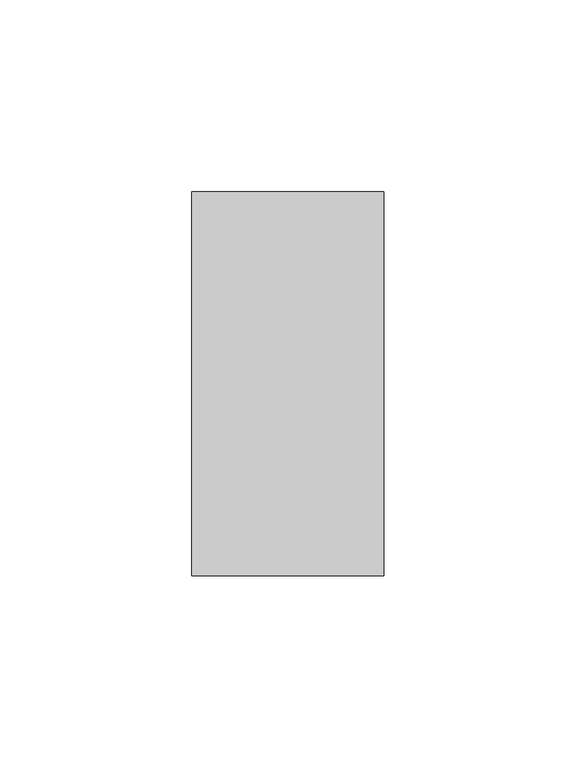
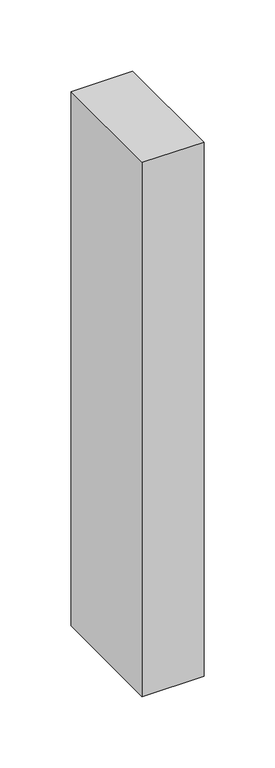
"""IFC4 building model written with IfcOpenShell, lengths in millimetres: member geometry."""

from ifc_helpers import new_model, si_unit, frame, origin, place, context, project, spatial, polyline, outline, extrude, source, transform, mapped, element, save


def member_e765dda7(model_context):
    return source(origin(), model_context, "Body", "SweptSolid", [
        extrude(outline(polyline([(25.0, 50.0), (25.0, -50.0), (-25.0, -50.0), (-25.0, 50.0), (25.0, 50.0)])), frame((0.0, 0.0, -457.7375), z_axis=(0.0, 0.0, 1.0), x_axis=(1.0, 0.0, 0.0)), (0.0, 0.0, 1.0), 457.7375),
    ])


if __name__ == "__main__":
    model = new_model("IFC4")
    model_context = context("Model", 3, world=origin())
    ifc_project = project(units=[si_unit("LENGTHUNIT", "METRE", prefix="MILLI")], contexts=[model_context])
    site = spatial("IfcSite", under=ifc_project)
    building = spatial("IfcBuilding", under=site)
    placement = place(None, origin())
    member_shape = member_e765dda7(model_context)
    element("IfcMember", 1, at=placement, inside=building, context=model_context, shape_type="MappedRepresentation", body=[
        mapped(member_shape, transform((0.0, 0.0, 0.0), x_axis=(1.0, 0.0, 0.0), y_axis=(0.0, 1.0, 0.0), z_axis=(0.0, 0.0, 1.0))),
    ])
    save(model, "model.ifc")
